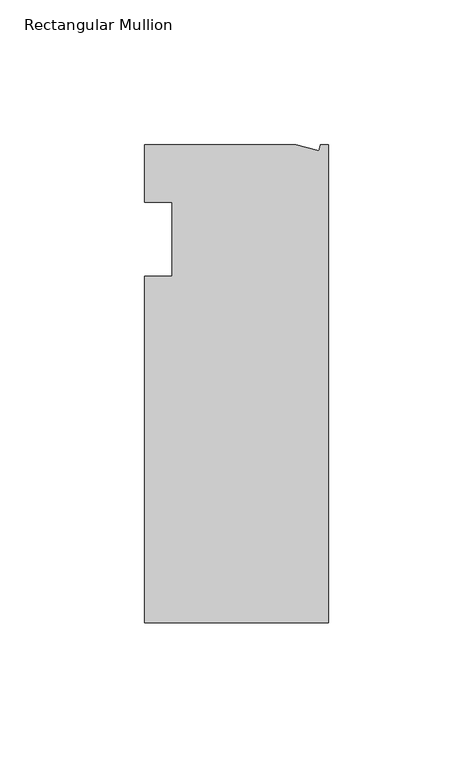
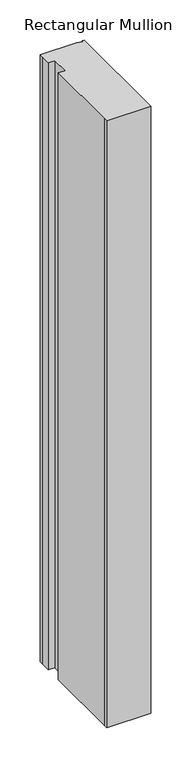
"""IFC4 building model written with IfcOpenShell, lengths in millimetres: member geometry, Rectangular Mullion."""

from ifc_helpers import new_model, si_unit, origin, place, context, project, spatial, faceted_brep, source, transform, mapped, element, save


def rectangular_mullion_26614381(model_context):
    return source(origin(), model_context, "Body", "Brep", [
        faceted_brep([(0.0, -132.5561012, 0.0), (0.0, 32.5438988, 0.0), (-2.7630634, 32.5438988, 0.0), (-3.3223696, 30.4565397, 0.0), (-11.1125, 32.5438988, 0.0), (-63.5076469, 32.5438988, 0.0), (-63.5076469, 26.1938988, 0.0), (-63.5, 12.7, 0.0), (-53.975, 12.7, 0.0), (-53.975, -12.8488281, 0.0), (-63.5, -12.8488281, 0.0), (-63.5, -126.2061012, 0.0), (-63.5, -132.5561012, 0.0), (0.0, -132.5561012, -921.7014763), (-63.5, -132.5561012, -921.7014763), (-63.5, -126.2061012, -921.7014763), (-63.5, -12.8488281, -921.7014763), (-53.975, -12.8488281, -921.7014763), (-53.975, 12.7, -921.7014763), (-63.5, 12.7, -921.7014763), (-63.5, 26.1938988, -921.7014763), (-63.5076469, 32.5438988, -921.7014763), (-11.1125, 32.5438988, -921.7014763), (-3.3223696, 30.4565397, -921.7014763), (-2.7630634, 32.5438988, -921.7014763), (0.0, 32.5438988, -921.7014763)], [[[0, 1, 2, 3, 4, 5, 6, 7, 8, 9, 10, 11, 12]], [[13, 14, 15, 16, 17, 18, 19, 20, 21, 22, 23, 24, 25]], [[7, 6, 20, 19]], [[8, 7, 19, 18]], [[9, 8, 18, 17]], [[10, 9, 17, 16]], [[11, 10, 16, 15]], [[0, 12, 14, 13]], [[1, 0, 13, 25]], [[2, 1, 25, 24]], [[3, 2, 24, 23]], [[4, 3, 23, 22]], [[5, 4, 22, 21]], [[6, 5, 21, 20]], [[12, 11, 15, 14]]]),
    ])


if __name__ == "__main__":
    model = new_model("IFC4")
    model_context = context("Model", 3, world=origin())
    ifc_project = project(units=[si_unit("LENGTHUNIT", "METRE", prefix="MILLI")], contexts=[model_context])
    site = spatial("IfcSite", under=ifc_project)
    building = spatial("IfcBuilding", under=site)
    placement = place(None, origin())
    rectangular_mullion_shape = rectangular_mullion_26614381(model_context)
    element("IfcMember", 1, ObjectType="Rectangular Mullion", at=placement, inside=building, context=model_context, shape_type="MappedRepresentation", body=[
        mapped(rectangular_mullion_shape, transform((0.0, 0.0, 0.0), x_axis=(1.0, 0.0, 0.0), y_axis=(0.0, 1.0, 0.0), z_axis=(0.0, 0.0, 1.0))),
    ])
    save(model, "model.ifc")
